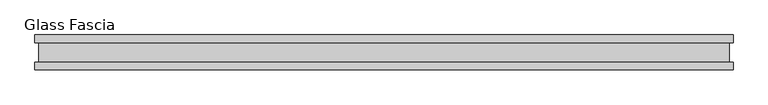
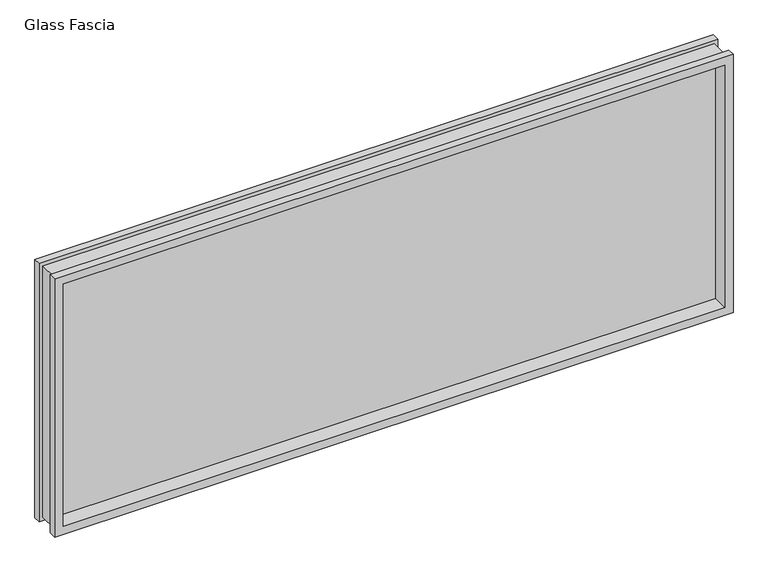
"""IFC4 building model written with IfcOpenShell, lengths in millimetres: proxy geometry, Glass Fascia."""

from ifc_helpers import new_model, si_unit, frame, origin, place, context, project, spatial, polyline, outline, extrude, faceted_brep, source, transform, mapped, element, save


def glass_fascia_c39cd329(model_context):
    return source(origin(), model_context, "Body", "SolidModel", [
        faceted_brep([(984.4096781, -5.0827449, 793.1305243), (984.4096781, 5.0827449, 793.1305243), (984.4096781, 5.0827449, 17.6374757), (984.4096781, -5.0827449, 17.6374757), (998.8721539, -28.8801202, 807.593), (998.8721539, -50.0558594, 807.593), (998.8721539, -50.0558594, 3.175), (998.8721539, -28.8801202, 3.175), (988.0471539, 28.2698798, 796.7680001), (988.0471539, -28.8801202, 796.7680001), (988.0471539, -28.8801202, 13.9999999), (988.0471539, 28.2698798, 13.9999999), (998.8721539, 50.0558594, 807.593), (998.8721539, 28.2698798, 807.593), (998.8721539, 28.2698798, 3.175), (998.8721539, 50.0558594, 3.175), (-984.4096781, 5.0827449, 17.6374757), (-984.4096781, -5.0827449, 17.6374757), (-998.8721539, -50.0558594, 3.175), (-998.8721539, -28.8801202, 3.175), (-988.0471539, -28.8801202, 13.9999999), (-988.0471539, 28.2698798, 13.9999999), (-998.8721539, 28.2698798, 3.175), (-998.8721539, 50.0558594, 3.175), (-984.4096781, 5.0827449, 793.1305243), (-984.4096781, -5.0827449, 793.1305243), (-998.8721539, -50.0558594, 807.593), (-998.8721539, -28.8801202, 807.593), (-988.0471539, -28.8801202, 796.7680001), (-988.0471539, 28.2698798, 796.7680001), (-998.8721539, 28.2698798, 807.593), (-998.8721539, 50.0558594, 807.593), (973.919487, 50.0558594, 782.6403332), (-973.919487, 50.0558594, 782.6403332), (-973.919487, 50.0558594, 28.1276668), (973.919487, 50.0558594, 28.1276668), (973.919487, 5.0827449, 28.1276668), (-973.919487, 5.0827449, 28.1276668), (-973.919487, 5.0827449, 782.6403332), (973.919487, 5.0827449, 782.6403332), (973.919487, -5.0827449, 782.6403332), (-973.919487, -5.0827449, 782.6403332), (-973.919487, -5.0827449, 28.1276668), (973.919487, -5.0827449, 28.1276668), (973.919487, -50.0558594, 28.1276668), (-973.919487, -50.0558594, 28.1276668), (-973.919487, -50.0558594, 782.6403332), (973.919487, -50.0558594, 782.6403332)], [[[0, 1, 2, 3]], [[4, 5, 6, 7]], [[8, 9, 10, 11]], [[12, 13, 14, 15]], [[3, 2, 16, 17]], [[7, 6, 18, 19]], [[11, 10, 20, 21]], [[15, 14, 22, 23]], [[17, 16, 24, 25]], [[19, 18, 26, 27]], [[21, 20, 28, 29]], [[23, 22, 30, 31]], [[15, 23, 31, 12], [32, 33, 34, 35]], [[1, 24, 16, 2], [36, 37, 38, 39]], [[25, 24, 1, 0]], [[3, 17, 25, 0], [40, 41, 42, 43]], [[5, 26, 18, 6], [44, 45, 46, 47]], [[27, 26, 5, 4]], [[7, 19, 27, 4], [9, 28, 20, 10]], [[29, 28, 9, 8]], [[13, 30, 22, 14], [11, 21, 29, 8]], [[31, 30, 13, 12]], [[39, 32, 35, 36]], [[47, 40, 43, 44]], [[36, 35, 34, 37]], [[44, 43, 42, 45]], [[37, 34, 33, 38]], [[45, 42, 41, 46]], [[38, 33, 32, 39]], [[46, 41, 40, 47]]]),
        extrude(outline(polyline([(984.4096781, 2.9765625), (984.4096781, -2.9765625), (-984.4096781, -2.9765625), (-984.4096781, 2.9765625), (984.4096781, 2.9765625)])), frame((0.0, 0.0, 17.6374757), z_axis=(0.0, 0.0, 1.0), x_axis=(1.0, 0.0, 0.0)), (0.0, 0.0, 1.0), 775.4930485),
    ])


if __name__ == "__main__":
    model = new_model("IFC4")
    model_context = context("Model", 3, world=origin())
    ifc_project = project(units=[si_unit("LENGTHUNIT", "METRE", prefix="MILLI")], contexts=[model_context])
    site = spatial("IfcSite", under=ifc_project)
    building = spatial("IfcBuilding", under=site)
    placement = place(None, origin())
    glass_fascia_shape = glass_fascia_c39cd329(model_context)
    element("IfcBuildingElementProxy", 1, Name="Glass Fascia", ObjectType="Glass Fascia", at=placement, inside=building, context=model_context, shape_type="MappedRepresentation", body=[
        mapped(glass_fascia_shape, transform((0.0, 0.0, 0.0), x_axis=(1.0, 0.0, 0.0), y_axis=(0.0, 1.0, 0.0), z_axis=(0.0, 0.0, 1.0))),
    ])
    save(model, "model.ifc")
